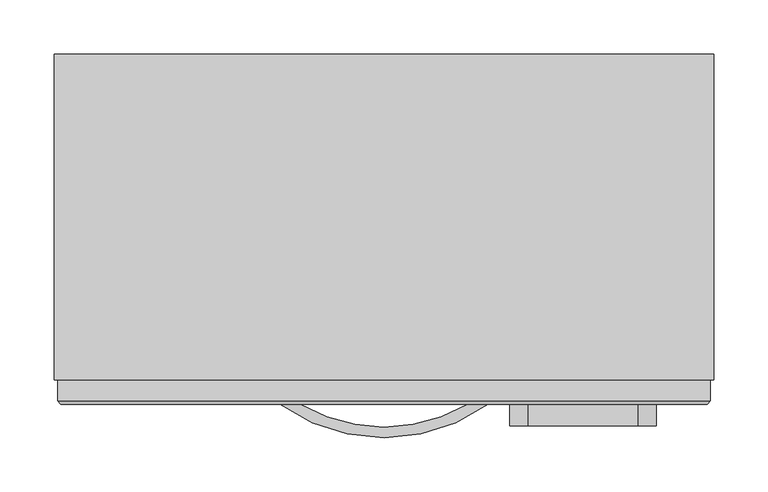
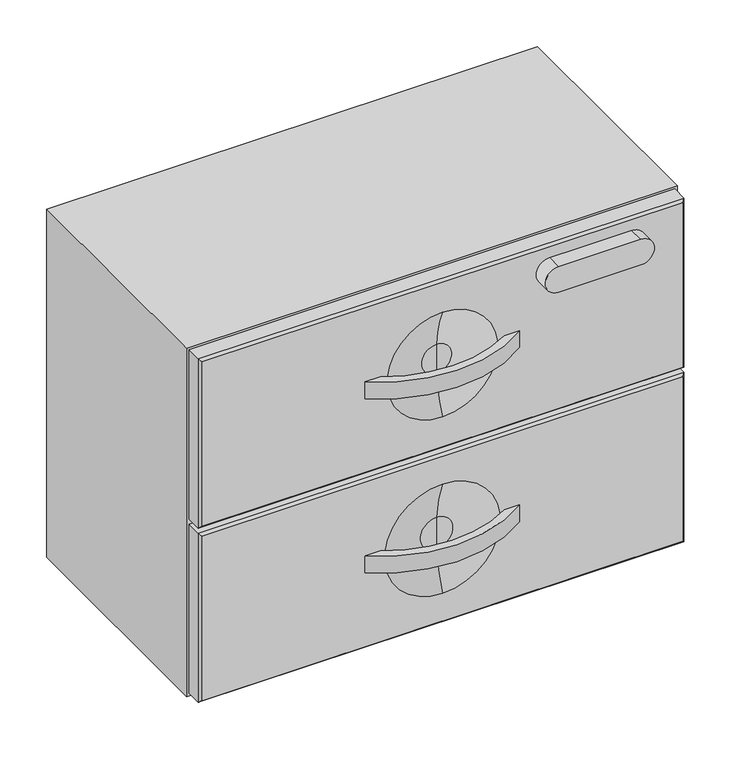
"""IFC4 building model written with IfcOpenShell, lengths in millimetres: furniture geometry."""

from ifc_helpers import new_model, si_unit, point, frame, frame_2d, origin, place, context, project, spatial, polyline, circle_curve, ellipse_curve, trimmed, segment, composite_curve, outline, extrude, source, transform, mapped, element, save
from ifc_brep_helpers import plane_surface, revolved_surface, advanced_brep


def furniture_ffe00cfd(model_context):
    return source(origin(), model_context, "Body", "SolidModel", [
        extrude(outline(composite_curve([segment(trimmed(circle_curve(frame_2d((18.7377049, -190.9255705)), 164.0076795), [point((114.6326268, -323.977))], [point((-77.157217, -323.977))], False, "CARTESIAN"), True, "CONTINUOUS"), segment(polyline([(-77.157217, -323.977), (-58.4973628, -323.977)]), True, "CONTINUOUS"), segment(trimmed(circle_curve(frame_2d((18.7361037, -192.7296017)), 152.2855473), [point((-58.4973628, -323.977))], [point((95.9695702, -323.977))], True, "CARTESIAN"), True, "CONTINUOUS"), segment(polyline([(95.9695702, -323.977), (114.6326268, -323.977)]), True, "CONTINUOUS")], self_intersect=False)), frame((0.0, 0.0, 838.2635), z_axis=(0.0, 0.0, 1.0), x_axis=(1.0, 0.0, 0.0)), (0.0, 0.0, 1.0), 22.225),
        extrude(outline(composite_curve([segment(trimmed(circle_curve(frame_2d((18.7377049, -190.9255705)), 164.0076795), [point((114.6326268, -323.977))], [point((-77.157217, -323.977))], False, "CARTESIAN"), True, "CONTINUOUS"), segment(polyline([(-77.157217, -323.977), (-58.4973628, -323.977)]), True, "CONTINUOUS"), segment(trimmed(circle_curve(frame_2d((18.7361037, -192.7296017)), 152.2855473), [point((-58.4973628, -323.977))], [point((95.9695702, -323.977))], True, "CARTESIAN"), True, "CONTINUOUS"), segment(polyline([(95.9695702, -323.977), (114.6326268, -323.977)]), True, "CONTINUOUS")], self_intersect=False)), frame((0.0, 0.0, 609.6635), z_axis=(0.0, 0.0, 1.0), x_axis=(1.0, 0.0, 0.0)), (0.0, 0.0, 1.0), 22.225),
        advanced_brep(
        [(320.3627049, -301.2559062, 960.501), (-282.8872951, -301.2559062, 960.501), (-282.8872951, -320.802, 960.501), (320.3627049, -320.802, 960.501), (-282.8872951, -301.2559062, 738.251), (320.3627049, -301.2559062, 738.251), (320.3627049, -320.802, 738.251), (-282.8872951, -320.802, 738.251), (-279.7122951, -323.977, 741.426), (317.1877049, -323.977, 741.426), (317.1877049, -323.977, 957.326), (-279.7122951, -323.977, 957.326), (18.7377049, -323.977, 780.7640659), (18.7377049, -323.977, 917.9879341), (18.7377049, -311.3273482, 830.2934555), (18.7377049, -311.3273482, 868.4585445), (18.7377049, -311.3273482, 849.376)],
        [
            (0, 1),
            (1, 2),
            (2, 3),
            (3, 0),
            (4, 5),
            (5, 6),
            (6, 7),
            (7, 4),
            (1, 4),
            (7, 2),
            (8, 9),
            (9, 10),
            (10, 11),
            (11, 8),
            (12, 13, circle_curve(frame((18.7377049, -323.977, 849.376), z_axis=(0.0, 1.0, 0.0), x_axis=(0.0, 0.0, 1.0)), 68.6119341)),
            (13, 12, circle_curve(frame((18.7377049, -323.977, 849.376), z_axis=(0.0, 1.0, 0.0), x_axis=(0.0, 0.0, 1.0)), 68.6119341)),
            (5, 0),
            (3, 6),
            (12, 14, circle_curve(frame((18.7377049, -432.1044866, 834.7595248), z_axis=(1.0, 0.0, 0.0), x_axis=(0.0, 1.0, 0.0)), 120.8596829)),
            (14, 15, circle_curve(frame((18.7377049, -311.3273482, 849.376), z_axis=(0.0, 1.0, 0.0), x_axis=(0.0, 0.0, 1.0)), 19.0825445)),
            (15, 13, circle_curve(frame((18.7377049, -432.1044866, 863.9924752), z_axis=(1.0, 0.0, 0.0), x_axis=(0.0, 1.0, 0.0)), 120.8596829)),
            (15, 14, circle_curve(frame((18.7377049, -311.3273482, 849.376), z_axis=(0.0, 1.0, 0.0), x_axis=(0.0, 0.0, 1.0)), 19.0825445)),
            (14, 16),
            (16, 15),
            (6, 9),
            (8, 7),
            (3, 10),
            (2, 11),
        ],
        [
            plane_surface(frame((-282.8872951, -323.977, 960.501), z_axis=(0.0, 0.0, 1.0), x_axis=(0.0, -1.0, 0.0))),
            plane_surface(frame((-282.8872951, -323.977, 738.251), z_axis=(0.0, 0.0, -1.0), x_axis=(0.0, 1.0, 0.0))),
            plane_surface(frame((-282.8872951, -301.2559062, 960.501), z_axis=(-1.0, 0.0, 0.0), x_axis=(0.0, 0.0, -1.0))),
            plane_surface(frame((-282.8872951, -323.977, 960.501), z_axis=(0.0, -1.0, 0.0), x_axis=(0.0, 0.0, -1.0))),
            plane_surface(frame((320.3627049, -323.977, 960.501), z_axis=(1.0, 0.0, 0.0), x_axis=(0.0, 0.0, -1.0))),
            plane_surface(frame((320.3627049, -301.2559062, 960.501), z_axis=(0.0, 1.0, 0.0), x_axis=(0.0, 0.0, -1.0))),
            revolved_surface(trimmed(ellipse_curve(frame((18.7377049, -432.1044866, 863.9924752), z_axis=(-1.0, 0.0, 0.0), x_axis=(0.0, 1.0, 0.0)), 120.8596829, 120.8596829), [point((18.7377049, -323.977, 917.9879341))], [point((18.7377049, -311.3273482, 868.4585445))], True, "CARTESIAN"), (18.7377049, -311.3273482, 849.376), (0.0, -1.0, 0.0)),
            plane_surface(frame((18.7377049, -311.3273482, 849.376), z_axis=(0.0, -1.0, 0.0), x_axis=(0.0, 0.0, 1.0))),
            plane_surface(frame((-279.7122951, -323.977, 741.426), z_axis=(0.0, -0.7071067811865458, -0.7071067811865493), x_axis=(1.0, 0.0, 0.0))),
            plane_surface(frame((317.1877049, -323.977, 741.426), z_axis=(0.7071067811865471, -0.707106781186548, 0.0), x_axis=(0.0, 0.0, 1.0))),
            plane_surface(frame((317.1877049, -323.977, 957.326), z_axis=(0.0, -0.7071067811865458, 0.7071067811865493), x_axis=(-1.0, 0.0, 0.0))),
            plane_surface(frame((-279.7122951, -323.977, 957.326), z_axis=(-0.7071067811865516, -0.7071067811865436, 0.0), x_axis=(0.0, 0.0, -1.0))),
        ],
        [
            (0, [[1, 2, 3, 4]]),
            (1, [[5, 6, 7, 8]]),
            (2, [[9, -8, 10, -2]]),
            (3, [[11, 12, 13, 14], [15, 16]]),
            (4, [[17, -4, 18, -6]]),
            (5, [[-1, -17, -5, -9]]),
            (6, [[19, 20, 21, -15]]),
            (6, [[-19, -16, -21, 22]]),
            (7, [[-20, 23, 24]]),
            (7, [[-22, -24, -23]]),
            (8, [[25, -11, 26, -7]]),
            (9, [[-25, -18, 27, -12]]),
            (10, [[-27, -3, 28, -13]]),
            (11, [[-26, -14, -28, -10]]),
        ],
    ),
        advanced_brep(
        [(18.7377049, -323.977, 780.7988269), (18.7377049, -311.3273482, 830.3282164), (18.7377049, -311.3273482, 868.4237836), (18.7377049, -323.977, 917.9531731), (18.7377049, -311.3273482, 849.376), (-279.7122951, -323.977, 741.426), (317.1877049, -323.977, 741.426), (317.1877049, -323.977, 957.326), (-279.7122951, -323.977, 957.326), (320.3627049, -301.2559062, 960.501), (320.3627049, -301.2559062, 738.251), (-282.8872951, -301.2559062, 738.251), (-282.8872951, -301.2559062, 960.501), (-282.8872951, -320.802, 960.501), (320.3627049, -320.802, 960.501), (-282.8872951, -320.802, 738.251), (320.3627049, -320.802, 738.251)],
        [
            (0, 1, circle_curve(frame((18.7377049, -432.1044866, 834.7942858), z_axis=(1.0, 0.0, 0.0), x_axis=(0.0, 1.0, 0.0)), 120.8596829)),
            (1, 2, circle_curve(frame((18.7377049, -311.3273482, 849.376), z_axis=(0.0, 1.0, 0.0), x_axis=(0.0, 0.0, 1.0)), 19.0477836)),
            (2, 3, circle_curve(frame((18.7377049, -432.1044866, 863.9577142), z_axis=(1.0, 0.0, 0.0), x_axis=(0.0, 1.0, 0.0)), 120.8596829)),
            (3, 0, circle_curve(frame((18.7377049, -323.977, 849.376), z_axis=(0.0, -1.0, 0.0), x_axis=(0.0, 0.0, 1.0)), 68.5771731)),
            (0, 3, circle_curve(frame((18.7377049, -323.977, 849.376), z_axis=(0.0, -1.0, 0.0), x_axis=(0.0, 0.0, 1.0)), 68.5771731)),
            (2, 1, circle_curve(frame((18.7377049, -311.3273482, 849.376), z_axis=(0.0, 1.0, 0.0), x_axis=(0.0, 0.0, 1.0)), 19.0477836)),
            (1, 4),
            (4, 2),
            (5, 6),
            (6, 7),
            (7, 8),
            (8, 5),
            (9, 10),
            (10, 11),
            (11, 12),
            (12, 9),
            (12, 13),
            (13, 14),
            (14, 9),
            (11, 15),
            (15, 13),
            (10, 16),
            (16, 15),
            (14, 16),
            (16, 6),
            (5, 15),
            (14, 7),
            (13, 8),
        ],
        [
            revolved_surface(trimmed(ellipse_curve(frame((18.7377049, -432.1044866, 863.9577142), z_axis=(-1.0, 0.0, 0.0), x_axis=(0.0, 1.0, 0.0)), 120.8596829, 120.8596829), [point((18.7377049, -323.977, 917.9531731))], [point((18.7377049, -311.3273482, 868.4237836))], True, "CARTESIAN"), (18.7377049, -311.3273482, 849.376), (0.0, -1.0, 0.0)),
            plane_surface(frame((18.7377049, -311.3273482, 849.376), z_axis=(0.0, -1.0, 0.0), x_axis=(0.0, 0.0, 1.0))),
            plane_surface(frame((-282.8872951, -323.977, 960.501), z_axis=(0.0, -1.0, 0.0), x_axis=(-1.0, 0.0, 0.0))),
            plane_surface(frame((-282.8872951, -301.2559062, 960.501), z_axis=(0.0, 1.0, 0.0), x_axis=(1.0, 0.0, 0.0))),
            plane_surface(frame((320.3627049, -323.977, 960.501), z_axis=(0.0, 0.0, 1.0), x_axis=(0.0, 1.0, 0.0))),
            plane_surface(frame((-282.8872951, -323.977, 960.501), z_axis=(-1.0, 0.0, 0.0), x_axis=(0.0, 1.0, 0.0))),
            plane_surface(frame((-282.8872951, -323.977, 738.251), z_axis=(0.0, 0.0, -1.0), x_axis=(0.0, 1.0, 0.0))),
            plane_surface(frame((320.3627049, -323.977, 738.251), z_axis=(1.0, 0.0, 0.0), x_axis=(0.0, 1.0, 0.0))),
            plane_surface(frame((-279.7122951, -323.977, 741.426), z_axis=(0.0, -0.7071067811869763, -0.7071067811861188), x_axis=(1.0, 0.0, 0.0))),
            plane_surface(frame((317.1877049, -323.977, 741.426), z_axis=(0.7071067811861166, -0.7071067811869786, 0.0), x_axis=(0.0, 0.0, 1.0))),
            plane_surface(frame((317.1877049, -323.977, 957.326), z_axis=(0.0, -0.7071067811869763, 0.7071067811861188), x_axis=(-1.0, 0.0, 0.0))),
            plane_surface(frame((-279.7122951, -323.977, 957.326), z_axis=(-0.707106781186121, -0.7071067811869741, 0.0), x_axis=(0.0, 0.0, -1.0))),
        ],
        [
            (0, [[1, 2, 3, 4]]),
            (0, [[-1, 5, -3, 6]]),
            (1, [[-2, 7, 8]]),
            (1, [[-6, -8, -7]]),
            (2, [[9, 10, 11, 12], [-4, -5]]),
            (3, [[13, 14, 15, 16]]),
            (4, [[-16, 17, 18, 19]]),
            (5, [[-15, 20, 21, -17]]),
            (6, [[-14, 22, 23, -20]]),
            (7, [[-13, -19, 24, -22]]),
            (8, [[25, -9, 26, -23]]),
            (9, [[-25, -24, 27, -10]]),
            (10, [[-27, -18, 28, -11]]),
            (11, [[-26, -12, -28, -21]]),
        ],
    ),
        advanced_brep(
        [(320.3627049, -301.2559062, 731.901), (-282.8872951, -301.2559062, 731.901), (-282.8872951, -320.802, 731.901), (320.3627049, -320.802, 731.901), (-282.8872951, -301.2559062, 509.651), (320.3627049, -301.2559062, 509.651), (320.3627049, -320.802, 509.651), (-282.8872951, -320.802, 509.651), (-279.7122951, -323.977, 512.826), (317.1877049, -323.977, 512.826), (317.1877049, -323.977, 728.726), (-279.7122951, -323.977, 728.726), (18.7377049, -323.977, 549.1499288), (18.7377049, -323.977, 692.4020712), (18.7377049, -311.3273482, 600.2088499), (18.7377049, -311.3273482, 641.3431501), (18.7377049, -311.3273482, 620.776)],
        [
            (0, 1),
            (1, 2),
            (2, 3),
            (3, 0),
            (4, 5),
            (5, 6),
            (6, 7),
            (7, 4),
            (1, 4),
            (7, 2),
            (8, 9),
            (9, 10),
            (10, 11),
            (11, 8),
            (12, 13, circle_curve(frame((18.7377049, -323.977, 620.776), z_axis=(0.0, 1.0, 0.0), x_axis=(0.0, 0.0, 1.0)), 71.6260712)),
            (13, 12, circle_curve(frame((18.7377049, -323.977, 620.776), z_axis=(0.0, 1.0, 0.0), x_axis=(0.0, 0.0, 1.0)), 71.6260712)),
            (5, 0),
            (3, 6),
            (12, 14, circle_curve(frame((18.7377049, -446.5701093, 606.6183133), z_axis=(1.0, 0.0, 0.0), x_axis=(0.0, 1.0, 0.0)), 135.3945555)),
            (14, 15, circle_curve(frame((18.7377049, -311.3273482, 620.776), z_axis=(0.0, 1.0, 0.0), x_axis=(0.0, 0.0, 1.0)), 20.5671501)),
            (15, 13, circle_curve(frame((18.7377049, -446.5701093, 634.9336867), z_axis=(1.0, 0.0, 0.0), x_axis=(0.0, 1.0, 0.0)), 135.3945555)),
            (15, 14, circle_curve(frame((18.7377049, -311.3273482, 620.776), z_axis=(0.0, 1.0, 0.0), x_axis=(0.0, 0.0, 1.0)), 20.5671501)),
            (14, 16),
            (16, 15),
            (6, 9),
            (8, 7),
            (3, 10),
            (2, 11),
        ],
        [
            plane_surface(frame((-282.8872951, -323.977, 731.901), z_axis=(0.0, 0.0, 1.0), x_axis=(0.0, -1.0, 0.0))),
            plane_surface(frame((-282.8872951, -323.977, 509.651), z_axis=(0.0, 0.0, -1.0), x_axis=(0.0, 1.0, 0.0))),
            plane_surface(frame((-282.8872951, -301.2559062, 731.901), z_axis=(-1.0, 0.0, 0.0), x_axis=(0.0, 0.0, -1.0))),
            plane_surface(frame((-282.8872951, -323.977, 731.901), z_axis=(0.0, -1.0, 0.0), x_axis=(0.0, 0.0, -1.0))),
            plane_surface(frame((320.3627049, -323.977, 731.901), z_axis=(1.0, 0.0, 0.0), x_axis=(0.0, 0.0, -1.0))),
            plane_surface(frame((320.3627049, -301.2559062, 731.901), z_axis=(0.0, 1.0, 0.0), x_axis=(0.0, 0.0, -1.0))),
            revolved_surface(trimmed(ellipse_curve(frame((18.7377049, -446.5701093, 634.9336867), z_axis=(-1.0, 0.0, 0.0), x_axis=(0.0, 1.0, 0.0)), 135.3945555, 135.3945555), [point((18.7377049, -323.977, 692.4020712))], [point((18.7377049, -311.3273482, 641.3431501))], True, "CARTESIAN"), (18.7377049, -311.3273482, 620.776), (0.0, -1.0, 0.0)),
            plane_surface(frame((18.7377049, -311.3273482, 620.776), z_axis=(0.0, -1.0, 0.0), x_axis=(0.0, 0.0, 1.0))),
            plane_surface(frame((-279.7122951, -323.977, 512.826), z_axis=(0.0, -0.7071067811865458, -0.7071067811865493), x_axis=(1.0, 0.0, 0.0))),
            plane_surface(frame((317.1877049, -323.977, 512.826), z_axis=(0.7071067811865471, -0.707106781186548, 0.0), x_axis=(0.0, 0.0, 1.0))),
            plane_surface(frame((317.1877049, -323.977, 728.726), z_axis=(0.0, -0.7071067811865458, 0.7071067811865493), x_axis=(-1.0, 0.0, 0.0))),
            plane_surface(frame((-279.7122951, -323.977, 728.726), z_axis=(-0.7071067811865516, -0.7071067811865436, 0.0), x_axis=(0.0, 0.0, -1.0))),
        ],
        [
            (0, [[1, 2, 3, 4]]),
            (1, [[5, 6, 7, 8]]),
            (2, [[9, -8, 10, -2]]),
            (3, [[11, 12, 13, 14], [15, 16]]),
            (4, [[17, -4, 18, -6]]),
            (5, [[-1, -17, -5, -9]]),
            (6, [[19, 20, 21, -15]]),
            (6, [[-19, -16, -21, 22]]),
            (7, [[-20, 23, 24]]),
            (7, [[-22, -24, -23]]),
            (8, [[25, -11, 26, -7]]),
            (9, [[-25, -18, 27, -12]]),
            (10, [[-27, -3, 28, -13]]),
            (11, [[-26, -14, -28, -10]]),
        ],
    ),
        extrude(outline(polyline([(-286.0622951, 0.0), (323.5377049, 0.0), (323.5377049, -301.2559062), (-286.0622951, -301.2559062), (-286.0622951, 0.0)])), frame((0.0, 0.0, 506.476), z_axis=(0.0, 0.0, 1.0), x_axis=(1.0, 0.0, 0.0)), (0.0, 0.0, 1.0), 457.2),
        extrude(outline(composite_curve([segment(trimmed(circle_curve(frame_2d((926.6569054, 151.5977764)), 16.7679688), [point((943.4248742, 151.5977764))], [point((909.8889367, 151.5977764))], False, "CARTESIAN"), True, "CONTINUOUS"), segment(polyline([(909.8889367, 151.5977764), (909.8889367, 253.6731588)]), True, "CONTINUOUS"), segment(trimmed(circle_curve(frame_2d((926.6569054, 253.6731588)), 16.7679688), [point((909.8889367, 253.6731588))], [point((943.4248742, 253.6731588))], False, "CARTESIAN"), True, "CONTINUOUS"), segment(polyline([(943.4248742, 253.6731588), (943.4248742, 151.5977764)]), True, "CONTINUOUS")], self_intersect=False)), frame((0.0, -343.8339275, 0.0), z_axis=(0.0, 1.0, 0.0), x_axis=(0.0, 0.0, 1.0)), (0.0, 0.0, 1.0), 19.8569275),
    ])


if __name__ == "__main__":
    model = new_model("IFC4")
    model_context = context("Model", 3, world=origin())
    ifc_project = project(units=[si_unit("LENGTHUNIT", "METRE", prefix="MILLI")], contexts=[model_context])
    site = spatial("IfcSite", under=ifc_project)
    building = spatial("IfcBuilding", under=site)
    placement = place(None, origin())
    furniture_shape = furniture_ffe00cfd(model_context)
    element("IfcFurniture", 1, at=placement, inside=building, context=model_context, shape_type="MappedRepresentation", body=[
        mapped(furniture_shape, transform((0.0, 0.0, 0.0), x_axis=(1.0, 0.0, 0.0), y_axis=(0.0, 1.0, 0.0), z_axis=(0.0, 0.0, 1.0))),
    ])
    save(model, "model.ifc")
